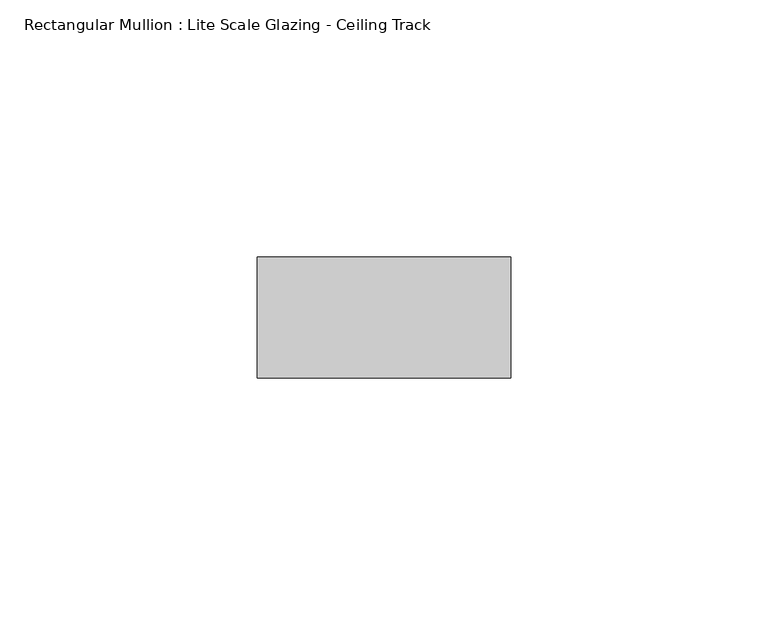
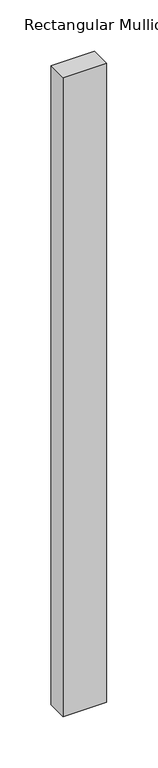
"""IFC4 building model written with IfcOpenShell, lengths in millimetres: member geometry, Rectangular Mullion : Lite Scale Glazing - Ceiling Track."""

from ifc_helpers import new_model, si_unit, frame, origin, place, context, project, spatial, polyline, outline, extrude, source, transform, mapped, element, save


def rectangular_mullion_lite_scale_glazing_ceiling_track_3d65ce9d(model_context):
    return source(origin(), model_context, "Body", "SweptSolid", [
        extrude(outline(polyline([(-49.276, 11.7474999), (0.0, 11.7474999), (0.0, -11.7474999), (-49.276, -11.7474999), (-49.276, 11.7474999)])), frame((0.0, 0.0, -762.0), z_axis=(0.0, 0.0, 1.0), x_axis=(1.0, 0.0, 0.0)), (0.0, 0.0, 1.0), 762.0),
    ])


if __name__ == "__main__":
    model = new_model("IFC4")
    model_context = context("Model", 3, world=origin())
    ifc_project = project(units=[si_unit("LENGTHUNIT", "METRE", prefix="MILLI")], contexts=[model_context])
    site = spatial("IfcSite", under=ifc_project)
    building = spatial("IfcBuilding", under=site)
    placement = place(None, origin())
    rectangular_mullion_lite_scale_glazing_ceiling_track_shape = rectangular_mullion_lite_scale_glazing_ceiling_track_3d65ce9d(model_context)
    element("IfcMember", 1, ObjectType="Rectangular Mullion : Lite Scale Glazing - Ceiling Track", at=placement, inside=building, context=model_context, shape_type="MappedRepresentation", body=[
        mapped(rectangular_mullion_lite_scale_glazing_ceiling_track_shape, transform((0.0, 0.0, 0.0), x_axis=(1.0, 0.0, 0.0), y_axis=(0.0, 1.0, 0.0), z_axis=(0.0, 0.0, 1.0))),
    ])
    save(model, "model.ifc")
